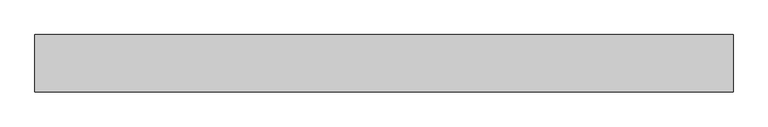
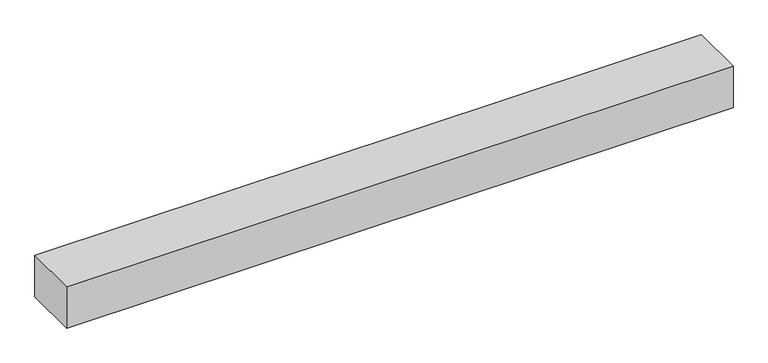
"""IFC4 building model written with IfcOpenShell, lengths in millimetres: geographic element geometry."""

from ifc_helpers import new_model, si_unit, origin, origin_with_axes, place, context, project, spatial, polyline, outline, extrude, source, transform, mapped, element, save


def geographic_element_8ce92ec4(model_context):
    return source(origin(), model_context, "Body", "SweptSolid", [
        extrude(outline(polyline([(0.0, 0.0), (0.0, 500.0), (6083.2773052, 500.0), (6083.2773052, 0.0), (0.0, 0.0)])), origin_with_axes(), (0.0, 0.0, 1.0), 400.0),
    ])


if __name__ == "__main__":
    model = new_model("IFC4")
    model_context = context("Model", 3, world=origin())
    ifc_project = project(units=[si_unit("LENGTHUNIT", "METRE", prefix="MILLI")], contexts=[model_context])
    site = spatial("IfcSite", under=ifc_project)
    building = spatial("IfcBuilding", under=site)
    placement = place(None, origin())
    geographic_element_shape = geographic_element_8ce92ec4(model_context)
    element("IfcGeographicElement", 1, at=placement, inside=building, context=model_context, shape_type="MappedRepresentation", body=[
        mapped(geographic_element_shape, transform((0.0, 0.0, 0.0), x_axis=(1.0, 0.0, 0.0), y_axis=(0.0, 1.0, 0.0), z_axis=(0.0, 0.0, 1.0))),
    ])
    save(model, "model.ifc")
